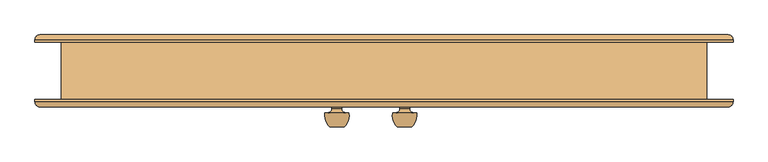
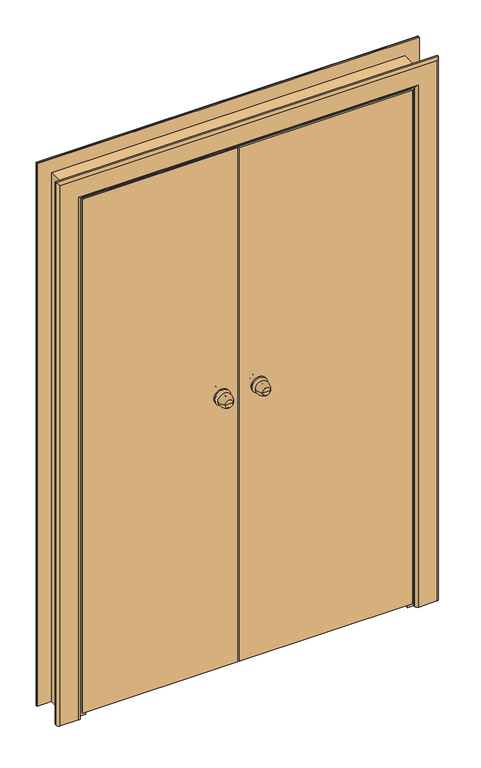
"""IFC4 building model written with IfcOpenShell, lengths in millimetres: door geometry."""

from ifc_helpers import new_model, si_unit, point, frame, origin, place, context, project, spatial, polyline, circle_curve, ellipse_curve, trimmed, outline, extrude, faceted_brep, source, transform, mapped, element, save
from ifc_brep_helpers import plane_surface, cylinder_surface, revolved_surface, advanced_brep


def door_bb061e8d(model_context):
    return source(origin(), model_context, "Body", "SolidModel", [
        advanced_brep(
        [(58.0, -117.0, 1100.0), (28.0, -117.0, 1100.0), (43.0, -117.0, 1100.0), (68.0, -87.0, 1100.0), (18.0, -87.0, 1100.0), (61.0, -87.0, 1100.0), (25.0, -87.0, 1100.0), (53.0, -79.0, 1100.0), (33.0, -79.0, 1100.0), (53.0, -73.0, 1100.0), (33.0, -73.0, 1100.0), (13.0, -73.0, 1100.0), (73.0, -73.0, 1100.0), (13.0, -67.0, 1100.0), (73.0, -67.0, 1100.0)],
        [
            (0, 1, circle_curve(frame((43.0, -117.0, 1100.0), z_axis=(0.0, -1.0, 0.0), x_axis=(-1.0, 0.0, 0.0)), 15.0)),
            (1, 2),
            (2, 0),
            (1, 0, circle_curve(frame((43.0, -117.0, 1100.0), z_axis=(0.0, -1.0, 0.0), x_axis=(-1.0, 0.0, 0.0)), 15.0)),
            (0, 3, circle_curve(frame((33.3773735, -92.1257912, 1100.0), z_axis=(0.0, 0.0, 1.0), x_axis=(-1.0, 0.0, 0.0)), 35.0)),
            (3, 4, circle_curve(frame((43.0, -87.0, 1100.0), z_axis=(0.0, -1.0, 0.0), x_axis=(-1.0, 0.0, 0.0)), 25.0)),
            (4, 1, circle_curve(frame((52.6226265, -92.1257912, 1100.0), z_axis=(0.0, 0.0, 1.0), x_axis=(1.0, 0.0, 0.0)), 35.0)),
            (4, 3, circle_curve(frame((43.0, -87.0, 1100.0), z_axis=(0.0, -1.0, 0.0), x_axis=(-1.0, 0.0, 0.0)), 25.0)),
            (3, 5),
            (5, 6, circle_curve(frame((43.0, -87.0, 1100.0), z_axis=(0.0, -1.0, 0.0), x_axis=(-1.0, 0.0, 0.0)), 18.0)),
            (6, 4),
            (6, 5, circle_curve(frame((43.0, -87.0, 1100.0), z_axis=(0.0, -1.0, 0.0), x_axis=(-1.0, 0.0, 0.0)), 18.0)),
            (5, 7, circle_curve(frame((61.0, -79.0, 1100.0), z_axis=(0.0, 0.0, -1.0), x_axis=(-1.0, 0.0, 0.0)), 8.0)),
            (7, 8, circle_curve(frame((43.0, -79.0, 1100.0), z_axis=(0.0, -1.0, 0.0), x_axis=(-1.0, 0.0, 0.0)), 10.0)),
            (8, 6, circle_curve(frame((25.0, -79.0, 1100.0), z_axis=(0.0, 0.0, -1.0), x_axis=(1.0, 0.0, 0.0)), 8.0)),
            (8, 7, circle_curve(frame((43.0, -79.0, 1100.0), z_axis=(0.0, -1.0, 0.0), x_axis=(-1.0, 0.0, 0.0)), 10.0)),
            (7, 9),
            (9, 10, circle_curve(frame((43.0, -73.0, 1100.0), z_axis=(0.0, -1.0, 0.0), x_axis=(-1.0, 0.0, 0.0)), 10.0)),
            (10, 8),
            (10, 9, circle_curve(frame((43.0, -73.0, 1100.0), z_axis=(0.0, -1.0, 0.0), x_axis=(-1.0, 0.0, 0.0)), 10.0)),
            (11, 12, circle_curve(frame((43.0, -73.0, 1100.0), z_axis=(0.0, -1.0, 0.0), x_axis=(1.0, 0.0, 0.0)), 30.0)),
            (12, 11, circle_curve(frame((43.0, -73.0, 1100.0), z_axis=(0.0, -1.0, 0.0), x_axis=(1.0, 0.0, 0.0)), 30.0)),
            (13, 14, circle_curve(frame((43.0, -67.0, 1100.0), z_axis=(0.0, 1.0, 0.0), x_axis=(1.0, 0.0, 0.0)), 30.0)),
            (14, 13, circle_curve(frame((43.0, -67.0, 1100.0), z_axis=(0.0, 1.0, 0.0), x_axis=(1.0, 0.0, 0.0)), 30.0)),
            (11, 13),
            (14, 12),
        ],
        [
            plane_surface(frame((43.0, -117.0, 1100.0), z_axis=(0.0, -1.0, 0.0), x_axis=(-1.0, 0.0, 0.0))),
            revolved_surface(trimmed(ellipse_curve(frame((52.6226265, -92.1257912, 1100.0), z_axis=(0.0, 0.0, -1.0), x_axis=(1.0, 0.0, 0.0)), 35.0, 35.0), [point((28.0, -117.0, 1100.0))], [point((18.0, -87.0, 1100.0))], True, "CARTESIAN"), (43.0, -147.0, 1100.0), (0.0, 1.0, 0.0)),
            plane_surface(frame((43.0, -87.0, 1100.0), z_axis=(0.0, 1.0, 0.0), x_axis=(-1.0, 0.0, 0.0))),
            revolved_surface(trimmed(ellipse_curve(frame((25.0, -79.0, 1100.0), z_axis=(0.0, 0.0, 1.0), x_axis=(1.0, 0.0, 0.0)), 8.0, 8.0), [point((25.0, -87.0, 1100.0))], [point((33.0, -79.0, 1100.0))], True, "CARTESIAN"), (43.0, -147.0, 1100.0), (0.0, 1.0, 0.0)),
            cylinder_surface(frame((43.0, -147.0, 1100.0), z_axis=(0.0, 1.0, 0.0), x_axis=(-1.0, 0.0, 0.0)), 10.0),
            plane_surface(frame((73.0, -73.0, 1100.0), z_axis=(0.0, -1.0, 0.0), x_axis=(0.0, 0.0, 1.0))),
            plane_surface(frame((73.0, -67.0, 1100.0), z_axis=(0.0, 1.0, 0.0), x_axis=(0.0, 0.0, -1.0))),
            cylinder_surface(frame((43.0, -67.0, 1100.0), z_axis=(0.0, -1.0, 0.0), x_axis=(1.0, 0.0, 0.0)), 30.0),
        ],
        [
            (0, [[1, 2, 3]]),
            (0, [[-2, 4, -3]]),
            (1, [[-1, 5, 6, 7]]),
            (1, [[-4, -7, 8, -5]]),
            (2, [[-6, 9, 10, 11]]),
            (2, [[-8, -11, 12, -9]]),
            (3, [[-10, 13, 14, 15]]),
            (3, [[-12, -15, 16, -13]]),
            (4, [[-14, 17, 18, 19]]),
            (4, [[-16, -19, 20, -17]]),
            (5, [[21, 22], [-18, -20]]),
            (6, [[23, 24]]),
            (7, [[-21, 25, -24, 26]]),
            (7, [[-22, -26, -23, -25]]),
        ],
    ),
        advanced_brep(
        [(28.0, 23.0, 1100.0), (58.0, 23.0, 1100.0), (43.0, 23.0, 1100.0), (18.0, -7.0, 1100.0), (68.0, -7.0, 1100.0), (25.0, -7.0, 1100.0), (61.0, -7.0, 1100.0), (33.0, -15.0, 1100.0), (53.0, -15.0, 1100.0), (33.0, -21.0, 1100.0), (53.0, -21.0, 1100.0), (73.0, -21.0, 1100.0), (13.0, -21.0, 1100.0), (73.0, -27.0, 1100.0), (13.0, -27.0, 1100.0)],
        [
            (0, 1, circle_curve(frame((43.0, 23.0, 1100.0), z_axis=(0.0, 1.0, 0.0), x_axis=(1.0, 0.0, 0.0)), 15.0)),
            (1, 2),
            (2, 0),
            (1, 0, circle_curve(frame((43.0, 23.0, 1100.0), z_axis=(0.0, 1.0, 0.0), x_axis=(1.0, 0.0, 0.0)), 15.0)),
            (0, 3, circle_curve(frame((52.6226265, -1.8742088, 1100.0), z_axis=(0.0, 0.0, 1.0), x_axis=(1.0, 0.0, 0.0)), 35.0)),
            (3, 4, circle_curve(frame((43.0, -7.0, 1100.0), z_axis=(0.0, 1.0, 0.0), x_axis=(1.0, 0.0, 0.0)), 25.0)),
            (4, 1, circle_curve(frame((33.3773735, -1.8742088, 1100.0), z_axis=(0.0, 0.0, 1.0), x_axis=(-1.0, 0.0, 0.0)), 35.0)),
            (4, 3, circle_curve(frame((43.0, -7.0, 1100.0), z_axis=(0.0, 1.0, 0.0), x_axis=(1.0, 0.0, 0.0)), 25.0)),
            (3, 5),
            (5, 6, circle_curve(frame((43.0, -7.0, 1100.0), z_axis=(0.0, 1.0, 0.0), x_axis=(1.0, 0.0, 0.0)), 18.0)),
            (6, 4),
            (6, 5, circle_curve(frame((43.0, -7.0, 1100.0), z_axis=(0.0, 1.0, 0.0), x_axis=(1.0, 0.0, 0.0)), 18.0)),
            (5, 7, circle_curve(frame((25.0, -15.0, 1100.0), z_axis=(0.0, 0.0, -1.0), x_axis=(1.0, 0.0, 0.0)), 8.0)),
            (7, 8, circle_curve(frame((43.0, -15.0, 1100.0), z_axis=(0.0, 1.0, 0.0), x_axis=(1.0, 0.0, 0.0)), 10.0)),
            (8, 6, circle_curve(frame((61.0, -15.0, 1100.0), z_axis=(0.0, 0.0, -1.0), x_axis=(-1.0, 0.0, 0.0)), 8.0)),
            (8, 7, circle_curve(frame((43.0, -15.0, 1100.0), z_axis=(0.0, 1.0, 0.0), x_axis=(1.0, 0.0, 0.0)), 10.0)),
            (7, 9),
            (9, 10, circle_curve(frame((43.0, -21.0, 1100.0), z_axis=(0.0, 1.0, 0.0), x_axis=(1.0, 0.0, 0.0)), 10.0)),
            (10, 8),
            (10, 9, circle_curve(frame((43.0, -21.0, 1100.0), z_axis=(0.0, 1.0, 0.0), x_axis=(1.0, 0.0, 0.0)), 10.0)),
            (11, 12, circle_curve(frame((43.0, -21.0, 1100.0), z_axis=(0.0, 1.0, 0.0), x_axis=(-1.0, 0.0, 0.0)), 30.0)),
            (12, 11, circle_curve(frame((43.0, -21.0, 1100.0), z_axis=(0.0, 1.0, 0.0), x_axis=(-1.0, 0.0, 0.0)), 30.0)),
            (13, 14, circle_curve(frame((43.0, -27.0, 1100.0), z_axis=(0.0, -1.0, 0.0), x_axis=(-1.0, 0.0, 0.0)), 30.0)),
            (14, 13, circle_curve(frame((43.0, -27.0, 1100.0), z_axis=(0.0, -1.0, 0.0), x_axis=(-1.0, 0.0, 0.0)), 30.0)),
            (11, 13),
            (14, 12),
        ],
        [
            plane_surface(frame((43.0, 23.0, 1100.0), z_axis=(0.0, 1.0, 0.0), x_axis=(1.0, 0.0, 0.0))),
            revolved_surface(trimmed(ellipse_curve(frame((33.3773735, -1.8742088, 1100.0), z_axis=(0.0, 0.0, -1.0), x_axis=(-1.0, 0.0, 0.0)), 35.0, 35.0), [point((58.0, 23.0, 1100.0))], [point((68.0, -7.0, 1100.0))], True, "CARTESIAN"), (43.0, 53.0, 1100.0), (0.0, -1.0, 0.0)),
            plane_surface(frame((43.0, -7.0, 1100.0), z_axis=(0.0, -1.0, 0.0), x_axis=(1.0, 0.0, 0.0))),
            revolved_surface(trimmed(ellipse_curve(frame((61.0, -15.0, 1100.0), z_axis=(0.0, 0.0, 1.0), x_axis=(-1.0, 0.0, 0.0)), 8.0, 8.0), [point((61.0, -7.0, 1100.0))], [point((53.0, -15.0, 1100.0))], True, "CARTESIAN"), (43.0, 53.0, 1100.0), (0.0, -1.0, 0.0)),
            cylinder_surface(frame((43.0, 53.0, 1100.0), z_axis=(0.0, -1.0, 0.0), x_axis=(1.0, 0.0, 0.0)), 10.0),
            plane_surface(frame((13.0, -21.0, 1100.0), z_axis=(0.0, 1.0, 0.0), x_axis=(0.0, 0.0, 1.0))),
            plane_surface(frame((13.0, -27.0, 1100.0), z_axis=(0.0, -1.0, 0.0), x_axis=(0.0, 0.0, -1.0))),
            cylinder_surface(frame((43.0, -27.0, 1100.0), z_axis=(0.0, 1.0, 0.0), x_axis=(-1.0, 0.0, 0.0)), 30.0),
        ],
        [
            (0, [[1, 2, 3]]),
            (0, [[-2, 4, -3]]),
            (1, [[-1, 5, 6, 7]]),
            (1, [[-4, -7, 8, -5]]),
            (2, [[-6, 9, 10, 11]]),
            (2, [[-8, -11, 12, -9]]),
            (3, [[-10, 13, 14, 15]]),
            (3, [[-12, -15, 16, -13]]),
            (4, [[-14, 17, 18, 19]]),
            (4, [[-16, -19, 20, -17]]),
            (5, [[21, 22], [-18, -20]]),
            (6, [[23, 24]]),
            (7, [[-21, 25, -24, 26]]),
            (7, [[-22, -26, -23, -25]]),
        ],
    ),
        advanced_brep(
        [(-83.0, -117.0, 1100.0), (-113.0, -117.0, 1100.0), (-98.0, -117.0, 1100.0), (-73.0, -87.0, 1100.0), (-123.0, -87.0, 1100.0), (-80.0, -87.0, 1100.0), (-116.0, -87.0, 1100.0), (-88.0, -79.0, 1100.0), (-108.0, -79.0, 1100.0), (-88.0, -73.0, 1100.0), (-108.0, -73.0, 1100.0), (-128.0, -73.0, 1100.0), (-68.0, -73.0, 1100.0), (-128.0, -67.0, 1100.0), (-68.0, -67.0, 1100.0)],
        [
            (0, 1, circle_curve(frame((-98.0, -117.0, 1100.0), z_axis=(0.0, -1.0, 0.0), x_axis=(-1.0, 0.0, 0.0)), 15.0)),
            (1, 2),
            (2, 0),
            (1, 0, circle_curve(frame((-98.0, -117.0, 1100.0), z_axis=(0.0, -1.0, 0.0), x_axis=(-1.0, 0.0, 0.0)), 15.0)),
            (0, 3, circle_curve(frame((-107.6226265, -92.1257912, 1100.0), z_axis=(0.0, 0.0, 1.0), x_axis=(-1.0, 0.0, 0.0)), 35.0)),
            (3, 4, circle_curve(frame((-98.0, -87.0, 1100.0), z_axis=(0.0, -1.0, 0.0), x_axis=(-1.0, 0.0, 0.0)), 25.0)),
            (4, 1, circle_curve(frame((-88.3773735, -92.1257912, 1100.0), z_axis=(0.0, 0.0, 1.0), x_axis=(1.0, 0.0, 0.0)), 35.0)),
            (4, 3, circle_curve(frame((-98.0, -87.0, 1100.0), z_axis=(0.0, -1.0, 0.0), x_axis=(-1.0, 0.0, 0.0)), 25.0)),
            (3, 5),
            (5, 6, circle_curve(frame((-98.0, -87.0, 1100.0), z_axis=(0.0, -1.0, 0.0), x_axis=(-1.0, 0.0, 0.0)), 18.0)),
            (6, 4),
            (6, 5, circle_curve(frame((-98.0, -87.0, 1100.0), z_axis=(0.0, -1.0, 0.0), x_axis=(-1.0, 0.0, 0.0)), 18.0)),
            (5, 7, circle_curve(frame((-80.0, -79.0, 1100.0), z_axis=(0.0, 0.0, -1.0), x_axis=(-1.0, 0.0, 0.0)), 8.0)),
            (7, 8, circle_curve(frame((-98.0, -79.0, 1100.0), z_axis=(0.0, -1.0, 0.0), x_axis=(-1.0, 0.0, 0.0)), 10.0)),
            (8, 6, circle_curve(frame((-116.0, -79.0, 1100.0), z_axis=(0.0, 0.0, -1.0), x_axis=(1.0, 0.0, 0.0)), 8.0)),
            (8, 7, circle_curve(frame((-98.0, -79.0, 1100.0), z_axis=(0.0, -1.0, 0.0), x_axis=(-1.0, 0.0, 0.0)), 10.0)),
            (7, 9),
            (9, 10, circle_curve(frame((-98.0, -73.0, 1100.0), z_axis=(0.0, -1.0, 0.0), x_axis=(-1.0, 0.0, 0.0)), 10.0)),
            (10, 8),
            (10, 9, circle_curve(frame((-98.0, -73.0, 1100.0), z_axis=(0.0, -1.0, 0.0), x_axis=(-1.0, 0.0, 0.0)), 10.0)),
            (11, 12, circle_curve(frame((-98.0, -73.0, 1100.0), z_axis=(0.0, -1.0, 0.0), x_axis=(1.0, 0.0, 0.0)), 30.0)),
            (12, 11, circle_curve(frame((-98.0, -73.0, 1100.0), z_axis=(0.0, -1.0, 0.0), x_axis=(1.0, 0.0, 0.0)), 30.0)),
            (13, 14, circle_curve(frame((-98.0, -67.0, 1100.0), z_axis=(0.0, 1.0, 0.0), x_axis=(1.0, 0.0, 0.0)), 30.0)),
            (14, 13, circle_curve(frame((-98.0, -67.0, 1100.0), z_axis=(0.0, 1.0, 0.0), x_axis=(1.0, 0.0, 0.0)), 30.0)),
            (11, 13),
            (14, 12),
        ],
        [
            plane_surface(frame((-98.0, -117.0, 1100.0), z_axis=(0.0, -1.0, 0.0), x_axis=(-1.0, 0.0, 0.0))),
            revolved_surface(trimmed(ellipse_curve(frame((-88.3773735, -92.1257912, 1100.0), z_axis=(0.0, 0.0, -1.0), x_axis=(1.0, 0.0, 0.0)), 35.0, 35.0), [point((-113.0, -117.0, 1100.0))], [point((-123.0, -87.0, 1100.0))], True, "CARTESIAN"), (-98.0, -147.0, 1100.0), (0.0, 1.0, 0.0)),
            plane_surface(frame((-98.0, -87.0, 1100.0), z_axis=(0.0, 1.0, 0.0), x_axis=(-1.0, 0.0, 0.0))),
            revolved_surface(trimmed(ellipse_curve(frame((-116.0, -79.0, 1100.0), z_axis=(0.0, 0.0, 1.0), x_axis=(1.0, 0.0, 0.0)), 8.0, 8.0), [point((-116.0, -87.0, 1100.0))], [point((-108.0, -79.0, 1100.0))], True, "CARTESIAN"), (-98.0, -147.0, 1100.0), (0.0, 1.0, 0.0)),
            cylinder_surface(frame((-98.0, -147.0, 1100.0), z_axis=(0.0, 1.0, 0.0), x_axis=(-1.0, 0.0, 0.0)), 10.0),
            plane_surface(frame((-68.0, -73.0, 1100.0), z_axis=(0.0, -1.0, 0.0), x_axis=(0.0, 0.0, 1.0))),
            plane_surface(frame((-68.0, -67.0, 1100.0), z_axis=(0.0, 1.0, 0.0), x_axis=(0.0, 0.0, -1.0))),
            cylinder_surface(frame((-98.0, -67.0, 1100.0), z_axis=(0.0, -1.0, 0.0), x_axis=(1.0, 0.0, 0.0)), 30.0),
        ],
        [
            (0, [[1, 2, 3]]),
            (0, [[-2, 4, -3]]),
            (1, [[-1, 5, 6, 7]]),
            (1, [[-4, -7, 8, -5]]),
            (2, [[-6, 9, 10, 11]]),
            (2, [[-8, -11, 12, -9]]),
            (3, [[-10, 13, 14, 15]]),
            (3, [[-12, -15, 16, -13]]),
            (4, [[-14, 17, 18, 19]]),
            (4, [[-16, -19, 20, -17]]),
            (5, [[21, 22], [-18, -20]]),
            (6, [[23, 24]]),
            (7, [[-21, 25, -24, 26]]),
            (7, [[-22, -26, -23, -25]]),
        ],
    ),
        advanced_brep(
        [(-113.0, 23.0, 1100.0), (-83.0, 23.0, 1100.0), (-98.0, 23.0, 1100.0), (-123.0, -7.0, 1100.0), (-73.0, -7.0, 1100.0), (-116.0, -7.0, 1100.0), (-80.0, -7.0, 1100.0), (-108.0, -15.0, 1100.0), (-88.0, -15.0, 1100.0), (-108.0, -21.0, 1100.0), (-88.0, -21.0, 1100.0), (-68.0, -21.0, 1100.0), (-128.0, -21.0, 1100.0), (-68.0, -27.0, 1100.0), (-128.0, -27.0, 1100.0)],
        [
            (0, 1, circle_curve(frame((-98.0, 23.0, 1100.0), z_axis=(0.0, 1.0, 0.0), x_axis=(1.0, 0.0, 0.0)), 15.0)),
            (1, 2),
            (2, 0),
            (1, 0, circle_curve(frame((-98.0, 23.0, 1100.0), z_axis=(0.0, 1.0, 0.0), x_axis=(1.0, 0.0, 0.0)), 15.0)),
            (0, 3, circle_curve(frame((-88.3773735, -1.8742088, 1100.0), z_axis=(0.0, 0.0, 1.0), x_axis=(1.0, 0.0, 0.0)), 35.0)),
            (3, 4, circle_curve(frame((-98.0, -7.0, 1100.0), z_axis=(0.0, 1.0, 0.0), x_axis=(1.0, 0.0, 0.0)), 25.0)),
            (4, 1, circle_curve(frame((-107.6226265, -1.8742088, 1100.0), z_axis=(0.0, 0.0, 1.0), x_axis=(-1.0, 0.0, 0.0)), 35.0)),
            (4, 3, circle_curve(frame((-98.0, -7.0, 1100.0), z_axis=(0.0, 1.0, 0.0), x_axis=(1.0, 0.0, 0.0)), 25.0)),
            (3, 5),
            (5, 6, circle_curve(frame((-98.0, -7.0, 1100.0), z_axis=(0.0, 1.0, 0.0), x_axis=(1.0, 0.0, 0.0)), 18.0)),
            (6, 4),
            (6, 5, circle_curve(frame((-98.0, -7.0, 1100.0), z_axis=(0.0, 1.0, 0.0), x_axis=(1.0, 0.0, 0.0)), 18.0)),
            (5, 7, circle_curve(frame((-116.0, -15.0, 1100.0), z_axis=(0.0, 0.0, -1.0), x_axis=(1.0, 0.0, 0.0)), 8.0)),
            (7, 8, circle_curve(frame((-98.0, -15.0, 1100.0), z_axis=(0.0, 1.0, 0.0), x_axis=(1.0, 0.0, 0.0)), 10.0)),
            (8, 6, circle_curve(frame((-80.0, -15.0, 1100.0), z_axis=(0.0, 0.0, -1.0), x_axis=(-1.0, 0.0, 0.0)), 8.0)),
            (8, 7, circle_curve(frame((-98.0, -15.0, 1100.0), z_axis=(0.0, 1.0, 0.0), x_axis=(1.0, 0.0, 0.0)), 10.0)),
            (7, 9),
            (9, 10, circle_curve(frame((-98.0, -21.0, 1100.0), z_axis=(0.0, 1.0, 0.0), x_axis=(1.0, 0.0, 0.0)), 10.0)),
            (10, 8),
            (10, 9, circle_curve(frame((-98.0, -21.0, 1100.0), z_axis=(0.0, 1.0, 0.0), x_axis=(1.0, 0.0, 0.0)), 10.0)),
            (11, 12, circle_curve(frame((-98.0, -21.0, 1100.0), z_axis=(0.0, 1.0, 0.0), x_axis=(-1.0, 0.0, 0.0)), 30.0)),
            (12, 11, circle_curve(frame((-98.0, -21.0, 1100.0), z_axis=(0.0, 1.0, 0.0), x_axis=(-1.0, 0.0, 0.0)), 30.0)),
            (13, 14, circle_curve(frame((-98.0, -27.0, 1100.0), z_axis=(0.0, -1.0, 0.0), x_axis=(-1.0, 0.0, 0.0)), 30.0)),
            (14, 13, circle_curve(frame((-98.0, -27.0, 1100.0), z_axis=(0.0, -1.0, 0.0), x_axis=(-1.0, 0.0, 0.0)), 30.0)),
            (11, 13),
            (14, 12),
        ],
        [
            plane_surface(frame((-98.0, 23.0, 1100.0), z_axis=(0.0, 1.0, 0.0), x_axis=(1.0, 0.0, 0.0))),
            revolved_surface(trimmed(ellipse_curve(frame((-107.6226265, -1.8742088, 1100.0), z_axis=(0.0, 0.0, -1.0), x_axis=(-1.0, 0.0, 0.0)), 35.0, 35.0), [point((-83.0, 23.0, 1100.0))], [point((-73.0, -7.0, 1100.0))], True, "CARTESIAN"), (-98.0, 53.0, 1100.0), (0.0, -1.0, 0.0)),
            plane_surface(frame((-98.0, -7.0, 1100.0), z_axis=(0.0, -1.0, 0.0), x_axis=(1.0, 0.0, 0.0))),
            revolved_surface(trimmed(ellipse_curve(frame((-80.0, -15.0, 1100.0), z_axis=(0.0, 0.0, 1.0), x_axis=(-1.0, 0.0, 0.0)), 8.0, 8.0), [point((-80.0, -7.0, 1100.0))], [point((-88.0, -15.0, 1100.0))], True, "CARTESIAN"), (-98.0, 53.0, 1100.0), (0.0, -1.0, 0.0)),
            cylinder_surface(frame((-98.0, 53.0, 1100.0), z_axis=(0.0, -1.0, 0.0), x_axis=(1.0, 0.0, 0.0)), 10.0),
            plane_surface(frame((-128.0, -21.0, 1100.0), z_axis=(0.0, 1.0, 0.0), x_axis=(0.0, 0.0, 1.0))),
            plane_surface(frame((-128.0, -27.0, 1100.0), z_axis=(0.0, -1.0, 0.0), x_axis=(0.0, 0.0, -1.0))),
            cylinder_surface(frame((-98.0, -27.0, 1100.0), z_axis=(0.0, 1.0, 0.0), x_axis=(-1.0, 0.0, 0.0)), 30.0),
        ],
        [
            (0, [[1, 2, 3]]),
            (0, [[-2, 4, -3]]),
            (1, [[-1, 5, 6, 7]]),
            (1, [[-4, -7, 8, -5]]),
            (2, [[-6, 9, 10, 11]]),
            (2, [[-8, -11, 12, -9]]),
            (3, [[-10, 13, 14, 15]]),
            (3, [[-12, -15, 16, -13]]),
            (4, [[-14, 17, 18, 19]]),
            (4, [[-16, -19, 20, -17]]),
            (5, [[21, 22], [-18, -20]]),
            (6, [[23, 24]]),
            (7, [[-21, 25, -24, 26]]),
            (7, [[-22, -26, -23, -25]]),
        ],
    ),
        faceted_brep([(-605.0, -62.0, 15.0), (-605.0, -27.0, 15.0), (-3.0, -27.0, 15.0), (-3.0, -46.0, 15.0), (-38.0, -46.0, 15.0), (-38.0, -67.0, 15.0), (-625.0, -67.0, 15.0), (-625.0, -62.0, 15.0), (-605.0, -62.0, 2055.0), (-605.0, -27.0, 2055.0), (-3.0, -27.0, 2055.0), (-3.0, -46.0, 2055.0), (-38.0, -46.0, 2055.0), (-38.0, -62.0, 2055.0), (-38.0, -62.0, 2075.0), (-38.0, -67.0, 2075.0), (-625.0, -67.0, 2075.0), (-625.0, -62.0, 2075.0)], [[[0, 1, 2, 3, 4, 5, 6, 7]], [[1, 0, 8, 9]], [[2, 1, 9, 10]], [[3, 2, 10, 11]], [[4, 3, 11, 12]], [[5, 4, 12, 13, 14, 15]], [[15, 16, 6, 5]], [[16, 17, 7, 6]], [[14, 13, 8, 0, 7, 17]], [[14, 17, 16, 15]], [[8, 13, 12, 11, 10, 9]]]),
        faceted_brep([(605.0, -62.0, 15.0), (625.0, -62.0, 15.0), (625.0, -67.0, 15.0), (-33.0, -67.0, 15.0), (-33.0, -52.0, 15.0), (2.0, -52.0, 15.0), (2.0, -27.0, 15.0), (605.0, -27.0, 15.0), (625.0, -62.0, 2075.0), (605.0, -62.0, 2055.0), (-33.0, -62.0, 2055.0), (-33.0, -62.0, 2075.0), (625.0, -67.0, 2075.0), (-33.0, -67.0, 2075.0), (-33.0, -52.0, 2055.0), (2.0, -52.0, 2055.0), (2.0, -27.0, 2055.0), (605.0, -27.0, 2055.0)], [[[0, 1, 2, 3, 4, 5, 6, 7]], [[8, 1, 0, 9, 10, 11]], [[8, 12, 2, 1]], [[12, 13, 3, 2]], [[4, 3, 13, 11, 10, 14]], [[5, 4, 14, 15]], [[6, 5, 15, 16]], [[7, 6, 16, 17]], [[0, 7, 17, 9]], [[13, 12, 8, 11]], [[10, 9, 17, 16, 15, 14]]]),
        faceted_brep([(590.0, -20.0, 0.0), (650.0, -20.0, 0.0), (650.0, -60.0, 0.0), (610.0, -60.0, 0.0), (610.0, -25.0, 0.0), (590.0, -25.0, 0.0), (590.0, -20.0, 2040.0), (-590.0, -20.0, 2040.0), (-590.0, -20.0, 0.0), (-650.0, -20.0, 0.0), (-650.0, -20.0, 2100.0), (650.0, -20.0, 2100.0), (650.0, -60.0, 2100.0), (-650.0, -60.0, 2100.0), (-650.0, -60.0, 0.0), (-610.0, -60.0, 0.0), (-610.0, -60.0, 2060.0), (610.0, -60.0, 2060.0), (610.0, -25.0, 2060.0), (-610.0, -25.0, 2060.0), (-610.0, -25.0, 0.0), (-590.0, -25.0, 0.0), (-590.0, -25.0, 2040.0), (590.0, -25.0, 2040.0)], [[[0, 1, 2, 3, 4, 5]], [[1, 0, 6, 7, 8, 9, 10, 11]], [[2, 1, 11, 12]], [[3, 2, 12, 13, 14, 15, 16, 17]], [[4, 3, 17, 18]], [[5, 4, 18, 19, 20, 21, 22, 23]], [[0, 5, 23, 6]], [[7, 22, 21, 8]], [[8, 21, 20, 15, 14, 9]], [[13, 10, 9, 14]], [[19, 16, 15, 20]], [[12, 11, 10, 13]], [[18, 17, 16, 19]], [[6, 23, 22, 7]]]),
        extrude(outline(polyline([(0.0, 635.0), (0.0, 650.0), (2100.0, 650.0), (2100.0, -650.0), (0.0, -650.0), (0.0, -635.0), (2085.0, -635.0), (2085.0, 635.0), (0.0, 635.0)])), frame((0.0, -20.0, 0.0), z_axis=(0.0, 1.0, 0.0), x_axis=(0.0, 0.0, 1.0)), (0.0, 0.0, 1.0), 80.0),
        faceted_brep([(670.0, -60.0, 0.0), (650.0, -60.0, 0.0), (650.0, -20.0, 0.0), (650.0, 60.0, 0.0), (670.0, 60.0, 0.0), (670.0, -60.0, 2120.0), (-670.0, -60.0, 2120.0), (-670.0, -60.0, 0.0), (-650.0, -60.0, 0.0), (-650.0, -60.0, 2100.0), (650.0, -60.0, 2100.0), (650.0, -20.0, 2100.0), (650.0, 60.0, 2100.0), (-650.0, 60.0, 2100.0), (-650.0, 60.0, 0.0), (-670.0, 60.0, 0.0), (-670.0, 60.0, 2120.0), (670.0, 60.0, 2120.0), (-650.0, -20.0, 0.0), (-650.0, -20.0, 2100.0)], [[[0, 1, 2, 3, 4]], [[1, 0, 5, 6, 7, 8, 9, 10]], [[1, 10, 11, 12, 3, 2]], [[4, 3, 12, 13, 14, 15, 16, 17]], [[0, 4, 17, 5]], [[9, 8, 18, 14, 13, 19]], [[7, 15, 14, 18, 8]], [[6, 16, 15, 7]], [[10, 9, 19, 13, 12, 11]], [[5, 17, 16, 6]]]),
        advanced_brep(
        [(-725.0, -60.0, 0.0), (-635.0, -60.0, 0.0), (-635.0, -65.0, 0.0), (-645.0, -75.0, 0.0), (-715.0, -75.0, 0.0), (-725.0, -65.0, 0.0), (-725.0, -60.0, 2175.0), (725.0, -60.0, 2175.0), (725.0, -60.0, 0.0), (635.0, -60.0, 0.0), (635.0, -60.0, 2085.0), (-635.0, -60.0, 2085.0), (-635.0, -65.0, 2085.0), (-645.0, -75.0, 2095.0), (645.0, -75.0, 2095.0), (645.0, -75.0, 0.0), (715.0, -75.0, 0.0), (715.0, -75.0, 2165.0), (-715.0, -75.0, 2165.0), (-725.0, -65.0, 2175.0), (725.0, -65.0, 2175.0), (725.0, -65.0, 0.0), (635.0, -65.0, 0.0), (635.0, -65.0, 2085.0)],
        [
            (0, 1),
            (1, 2),
            (2, 3, circle_curve(frame((-645.0, -65.0, 0.0), z_axis=(0.0, 0.0, -1.0), x_axis=(-1.0, 0.0, 0.0)), 10.0)),
            (3, 4),
            (4, 5, circle_curve(frame((-715.0, -65.0, 0.0), z_axis=(0.0, 0.0, -1.0), x_axis=(-1.0, 0.0, 0.0)), 10.0)),
            (5, 0),
            (0, 6),
            (6, 7),
            (7, 8),
            (8, 9),
            (9, 10),
            (10, 11),
            (11, 1),
            (11, 12),
            (12, 2),
            (12, 13, ellipse_curve(frame((-645.0, -65.0, 2095.0), z_axis=(-0.7071067811865475, 0.0, -0.7071067811865475), x_axis=(0.7071067811865474, 0.0, -0.7071067811865476)), 14.1421356, 10.0)),
            (13, 3),
            (13, 14),
            (14, 15),
            (15, 16),
            (16, 17),
            (17, 18),
            (18, 4),
            (18, 19, ellipse_curve(frame((-715.0, -65.0, 2165.0), z_axis=(-0.7071067811865475, 0.0, -0.7071067811865475), x_axis=(0.7071067811865474, 0.0, -0.7071067811865476)), 14.1421356, 10.0)),
            (19, 5),
            (19, 6),
            (7, 20),
            (20, 21),
            (21, 8),
            (21, 16, circle_curve(frame((715.0, -65.0, 0.0), z_axis=(0.0, 0.0, -1.0), x_axis=(1.0, 0.0, 0.0)), 10.0)),
            (15, 22, circle_curve(frame((645.0, -65.0, 0.0), z_axis=(0.0, 0.0, -1.0), x_axis=(1.0, 0.0, 0.0)), 10.0)),
            (22, 9),
            (23, 10),
            (22, 23),
            (14, 23, ellipse_curve(frame((645.0, -65.0, 2095.0), z_axis=(0.7071067811865475, 0.0, -0.7071067811865475), x_axis=(0.7071067811865474, 0.0, 0.7071067811865476)), 14.1421356, 10.0)),
            (20, 17, ellipse_curve(frame((715.0, -65.0, 2165.0), z_axis=(0.7071067811865475, 0.0, -0.7071067811865475), x_axis=(0.7071067811865474, 0.0, 0.7071067811865476)), 14.1421356, 10.0)),
            (23, 12),
            (20, 19),
        ],
        [
            plane_surface(frame((-670.0, -60.0, 0.0), z_axis=(0.0, 0.0, -1.0), x_axis=(0.0, -1.0, 0.0))),
            plane_surface(frame((-725.0, -60.0, 0.0), z_axis=(0.0, 1.0, 0.0), x_axis=(0.0, 0.0, 1.0))),
            plane_surface(frame((-635.0, -60.0, 0.0), z_axis=(1.0, 0.0, 0.0), x_axis=(0.0, 0.0, 1.0))),
            cylinder_surface(frame((-645.0, -65.0, 0.0), z_axis=(0.0, 0.0, -1.0), x_axis=(-1.0, 0.0, 0.0)), 10.0),
            plane_surface(frame((-645.0, -75.0, 0.0), z_axis=(0.0, -1.0, 0.0), x_axis=(0.0, 0.0, 1.0))),
            cylinder_surface(frame((-715.0, -65.0, 0.0), z_axis=(0.0, 0.0, -1.0), x_axis=(-1.0, 0.0, 0.0)), 10.0),
            plane_surface(frame((-725.0, -65.0, 0.0), z_axis=(-1.0, 0.0, 0.0), x_axis=(0.0, 0.0, 1.0))),
            plane_surface(frame((725.0, -65.0, 2175.0), z_axis=(1.0, 0.0, 0.0), x_axis=(0.0, 0.0, -1.0))),
            plane_surface(frame((670.0, -60.0, 0.0), z_axis=(0.0, 0.0, -1.0), x_axis=(0.0, -1.0, 0.0))),
            plane_surface(frame((635.0, -60.0, 2085.0), z_axis=(-1.0, 0.0, 0.0), x_axis=(0.0, 0.0, -1.0))),
            cylinder_surface(frame((645.0, -65.0, 2120.0), z_axis=(0.0, 0.0, 1.0), x_axis=(1.0, 0.0, 0.0)), 10.0),
            cylinder_surface(frame((715.0, -65.0, 2120.0), z_axis=(0.0, 0.0, 1.0), x_axis=(1.0, 0.0, 0.0)), 10.0),
            plane_surface(frame((-635.0, -60.0, 2085.0), z_axis=(0.0, 0.0, -1.0), x_axis=(1.0, 0.0, 0.0))),
            cylinder_surface(frame((-670.0, -65.0, 2095.0), z_axis=(-1.0, 0.0, 0.0), x_axis=(0.0, 0.0, 1.0)), 10.0),
            cylinder_surface(frame((-670.0, -65.0, 2165.0), z_axis=(-1.0, 0.0, 0.0), x_axis=(0.0, 0.0, 1.0)), 10.0),
            plane_surface(frame((-725.0, -65.0, 2175.0), z_axis=(0.0, 0.0, 1.0), x_axis=(1.0, 0.0, 0.0))),
        ],
        [
            (0, [[1, 2, 3, 4, 5, 6]]),
            (1, [[-1, 7, 8, 9, 10, 11, 12, 13]]),
            (2, [[-2, -13, 14, 15]]),
            (3, [[-3, -15, 16, 17]]),
            (4, [[-4, -17, 18, 19, 20, 21, 22, 23]]),
            (5, [[-5, -23, 24, 25]]),
            (6, [[-6, -25, 26, -7]]),
            (7, [[27, 28, 29, -9]]),
            (8, [[-29, 30, -20, 31, 32, -10]]),
            (9, [[33, -11, -32, 34]]),
            (10, [[35, -34, -31, -19]]),
            (11, [[36, -21, -30, -28]]),
            (12, [[-14, -12, -33, 37]]),
            (13, [[-16, -37, -35, -18]]),
            (14, [[-24, -22, -36, 38]]),
            (15, [[-26, -38, -27, -8]]),
        ],
    ),
        advanced_brep(
        [(725.0, 60.0, 0.0), (635.0, 60.0, 0.0), (635.0, 65.0, 0.0), (645.0, 75.0, 0.0), (715.0, 75.0, 0.0), (725.0, 65.0, 0.0), (725.0, 60.0, 2175.0), (-725.0, 60.0, 2175.0), (-725.0, 60.0, 0.0), (-635.0, 60.0, 0.0), (-635.0, 60.0, 2085.0), (635.0, 60.0, 2085.0), (635.0, 65.0, 2085.0), (645.0, 75.0, 2095.0), (-645.0, 75.0, 2095.0), (-645.0, 75.0, 0.0), (-715.0, 75.0, 0.0), (-715.0, 75.0, 2165.0), (715.0, 75.0, 2165.0), (725.0, 65.0, 2175.0), (-725.0, 65.0, 2175.0), (-725.0, 65.0, 0.0), (-635.0, 65.0, 0.0), (-635.0, 65.0, 2085.0)],
        [
            (0, 1),
            (1, 2),
            (2, 3, circle_curve(frame((645.0, 65.0, 0.0), z_axis=(0.0, 0.0, -1.0), x_axis=(1.0, 0.0, 0.0)), 10.0)),
            (3, 4),
            (4, 5, circle_curve(frame((715.0, 65.0, 0.0), z_axis=(0.0, 0.0, -1.0), x_axis=(1.0, 0.0, 0.0)), 10.0)),
            (5, 0),
            (0, 6),
            (6, 7),
            (7, 8),
            (8, 9),
            (9, 10),
            (10, 11),
            (11, 1),
            (11, 12),
            (12, 2),
            (12, 13, ellipse_curve(frame((645.0, 65.0, 2095.0), z_axis=(0.7071067811865475, 0.0, -0.7071067811865475), x_axis=(-0.7071067811865474, 0.0, -0.7071067811865476)), 14.1421356, 10.0)),
            (13, 3),
            (13, 14),
            (14, 15),
            (15, 16),
            (16, 17),
            (17, 18),
            (18, 4),
            (18, 19, ellipse_curve(frame((715.0, 65.0, 2165.0), z_axis=(0.7071067811865475, 0.0, -0.7071067811865475), x_axis=(-0.7071067811865474, 0.0, -0.7071067811865476)), 14.1421356, 10.0)),
            (19, 5),
            (19, 6),
            (7, 20),
            (20, 21),
            (21, 8),
            (21, 16, circle_curve(frame((-715.0, 65.0, 0.0), z_axis=(0.0, 0.0, -1.0), x_axis=(-1.0, 0.0, 0.0)), 10.0)),
            (15, 22, circle_curve(frame((-645.0, 65.0, 0.0), z_axis=(0.0, 0.0, -1.0), x_axis=(-1.0, 0.0, 0.0)), 10.0)),
            (22, 9),
            (23, 10),
            (22, 23),
            (14, 23, ellipse_curve(frame((-645.0, 65.0, 2095.0), z_axis=(-0.7071067811865475, 0.0, -0.7071067811865475), x_axis=(-0.7071067811865474, 0.0, 0.7071067811865476)), 14.1421356, 10.0)),
            (20, 17, ellipse_curve(frame((-715.0, 65.0, 2165.0), z_axis=(-0.7071067811865475, 0.0, -0.7071067811865475), x_axis=(-0.7071067811865474, 0.0, 0.7071067811865476)), 14.1421356, 10.0)),
            (23, 12),
            (20, 19),
        ],
        [
            plane_surface(frame((670.0, 60.0, 0.0), z_axis=(0.0, 0.0, -1.0), x_axis=(0.0, -1.0, 0.0))),
            plane_surface(frame((725.0, 60.0, 0.0), z_axis=(0.0, -1.0, 0.0), x_axis=(0.0, 0.0, 1.0))),
            plane_surface(frame((635.0, 60.0, 0.0), z_axis=(-1.0, 0.0, 0.0), x_axis=(0.0, 0.0, 1.0))),
            cylinder_surface(frame((645.0, 65.0, 0.0), z_axis=(0.0, 0.0, -1.0), x_axis=(1.0, 0.0, 0.0)), 10.0),
            plane_surface(frame((645.0, 75.0, 0.0), z_axis=(0.0, 1.0, 0.0), x_axis=(0.0, 0.0, 1.0))),
            cylinder_surface(frame((715.0, 65.0, 0.0), z_axis=(0.0, 0.0, -1.0), x_axis=(1.0, 0.0, 0.0)), 10.0),
            plane_surface(frame((725.0, 65.0, 0.0), z_axis=(1.0, 0.0, 0.0), x_axis=(0.0, 0.0, 1.0))),
            plane_surface(frame((-725.0, 65.0, 2175.0), z_axis=(-1.0, 0.0, 0.0), x_axis=(0.0, 0.0, -1.0))),
            plane_surface(frame((-670.0, 60.0, 0.0), z_axis=(0.0, 0.0, -1.0), x_axis=(0.0, -1.0, 0.0))),
            plane_surface(frame((-635.0, 60.0, 2085.0), z_axis=(1.0, 0.0, 0.0), x_axis=(0.0, 0.0, -1.0))),
            cylinder_surface(frame((-645.0, 65.0, 2120.0), z_axis=(0.0, 0.0, 1.0), x_axis=(-1.0, 0.0, 0.0)), 10.0),
            cylinder_surface(frame((-715.0, 65.0, 2120.0), z_axis=(0.0, 0.0, 1.0), x_axis=(-1.0, 0.0, 0.0)), 10.0),
            plane_surface(frame((635.0, 60.0, 2085.0), z_axis=(0.0, 0.0, -1.0), x_axis=(-1.0, 0.0, 0.0))),
            cylinder_surface(frame((670.0, 65.0, 2095.0), z_axis=(1.0, 0.0, 0.0), x_axis=(0.0, 0.0, 1.0)), 10.0),
            cylinder_surface(frame((670.0, 65.0, 2165.0), z_axis=(1.0, 0.0, 0.0), x_axis=(0.0, 0.0, 1.0)), 10.0),
            plane_surface(frame((725.0, 65.0, 2175.0), z_axis=(0.0, 0.0, 1.0), x_axis=(-1.0, 0.0, 0.0))),
        ],
        [
            (0, [[1, 2, 3, 4, 5, 6]]),
            (1, [[-1, 7, 8, 9, 10, 11, 12, 13]]),
            (2, [[-2, -13, 14, 15]]),
            (3, [[-3, -15, 16, 17]]),
            (4, [[-4, -17, 18, 19, 20, 21, 22, 23]]),
            (5, [[-5, -23, 24, 25]]),
            (6, [[-6, -25, 26, -7]]),
            (7, [[27, 28, 29, -9]]),
            (8, [[-29, 30, -20, 31, 32, -10]]),
            (9, [[33, -11, -32, 34]]),
            (10, [[35, -34, -31, -19]]),
            (11, [[36, -21, -30, -28]]),
            (12, [[-14, -12, -33, 37]]),
            (13, [[-16, -37, -35, -18]]),
            (14, [[-24, -22, -36, 38]]),
            (15, [[-26, -38, -27, -8]]),
        ],
    ),
    ])


if __name__ == "__main__":
    model = new_model("IFC4")
    model_context = context("Model", 3, world=origin())
    ifc_project = project(units=[si_unit("LENGTHUNIT", "METRE", prefix="MILLI")], contexts=[model_context])
    site = spatial("IfcSite", under=ifc_project)
    building = spatial("IfcBuilding", under=site)
    placement = place(None, origin())
    door_shape = door_bb061e8d(model_context)
    element("IfcDoor", 1, at=placement, inside=building, context=model_context, shape_type="MappedRepresentation", body=[
        mapped(door_shape, transform((0.0, 0.0, 0.0), x_axis=(1.0, 0.0, 0.0), y_axis=(0.0, 1.0, 0.0), z_axis=(0.0, 0.0, 1.0))),
    ])
    save(model, "model.ifc")
